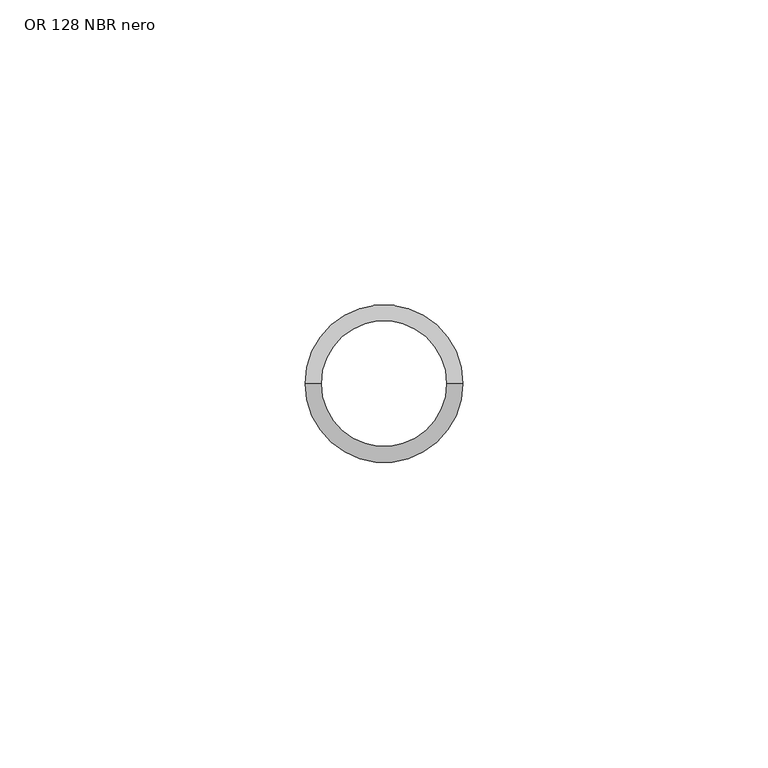
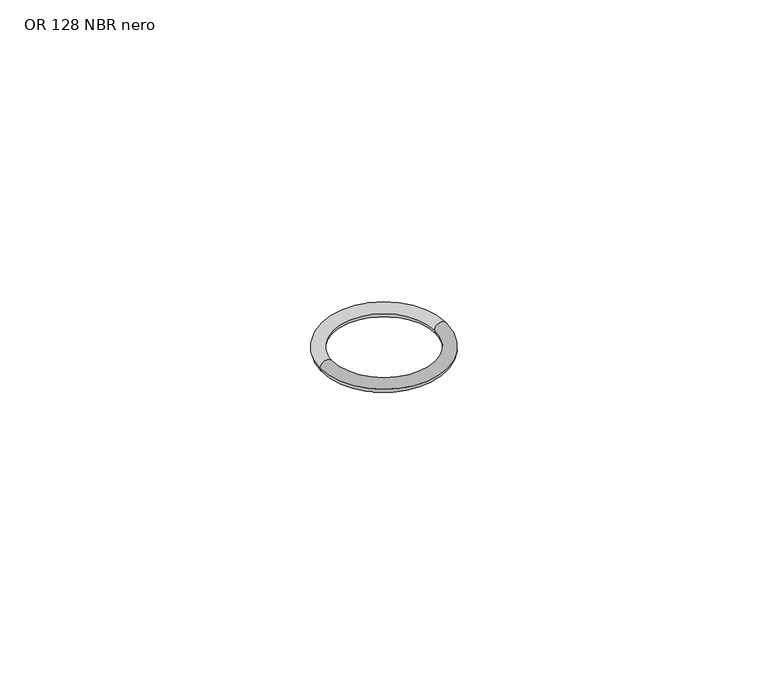
"""IFC4 building model written with IfcOpenShell, lengths in millimetres: proxy geometry, OR 128 NBR nero."""

from ifc_helpers import new_model, si_unit, point, frame, origin, origin_with_axes, place, context, project, spatial, circle_curve, ellipse_curve, trimmed, source, transform, mapped, element, save
from ifc_brep_helpers import revolved_surface, advanced_brep


def or_128_nbr_nero_8ea9a4c8(model_context):
    return source(origin(), model_context, "Body", "AdvancedBrep", [
        advanced_brep(
        [(-12.935, 0.0, 0.0), (12.935, 0.0, 0.0), (10.315, 0.0, 0.0), (-10.315, 0.0, 0.0)],
        [
            (0, 1, circle_curve(frame((0.0, 0.0, 0.0), z_axis=(0.0, 0.0, 1.0), x_axis=(-1.0, 0.0, 0.0)), 12.935)),
            (1, 2, circle_curve(frame((11.625, 0.0, 0.0), z_axis=(0.0, -1.0, 0.0), x_axis=(1.0, 0.0, 0.0)), 1.31)),
            (2, 3, circle_curve(frame((0.0, 0.0, 0.0), z_axis=(0.0, 0.0, -1.0), x_axis=(-1.0, 0.0, 0.0)), 10.315)),
            (3, 0, circle_curve(frame((-11.625, 0.0, 0.0), z_axis=(0.0, -1.0, 0.0), x_axis=(-1.0, 0.0, 0.0)), 1.31)),
            (1, 0, circle_curve(origin_with_axes(), 12.935)),
            (3, 2, circle_curve(frame((0.0, 0.0, 0.0), z_axis=(0.0, 0.0, -1.0), x_axis=(1.0, 0.0, 0.0)), 10.315)),
            (1, 2, circle_curve(frame((11.625, 0.0, 0.0), z_axis=(0.0, 1.0, 0.0), x_axis=(1.0, 0.0, 0.0)), 1.31)),
            (3, 0, circle_curve(frame((-11.625, 0.0, 0.0), z_axis=(0.0, 1.0, 0.0), x_axis=(-1.0, 0.0, 0.0)), 1.31)),
        ],
        [
            revolved_surface(trimmed(ellipse_curve(frame((-11.625, 0.0, 0.0), z_axis=(0.0, 1.0, 0.0), x_axis=(-1.0, 0.0, 0.0)), 1.31, 1.31), [point((-12.935, 0.0, 0.0))], [point((-10.315, 0.0, 0.0))], True, "CARTESIAN"), (0.0, 0.0, 0.0), (0.0, 0.0, 1.0)),
            revolved_surface(trimmed(ellipse_curve(frame((11.625, 0.0, 0.0), z_axis=(0.0, -1.0, 0.0), x_axis=(1.0, 0.0, 0.0)), 1.31, 1.31), [point((12.935, 0.0, 0.0))], [point((10.315, 0.0, 0.0))], True, "CARTESIAN"), (0.0, 0.0, 0.0), (0.0, 0.0, 1.0)),
            revolved_surface(trimmed(ellipse_curve(frame((11.625, 0.0, 0.0), z_axis=(0.0, -1.0, 0.0), x_axis=(1.0, 0.0, 0.0)), 1.31, 1.31), [point((10.315, 0.0, 0.0))], [point((12.935, 0.0, 0.0))], True, "CARTESIAN"), (0.0, 0.0, 0.0), (0.0, 0.0, 1.0)),
            revolved_surface(trimmed(ellipse_curve(frame((-11.625, 0.0, 0.0), z_axis=(0.0, 1.0, 0.0), x_axis=(-1.0, 0.0, 0.0)), 1.31, 1.31), [point((-10.315, 0.0, 0.0))], [point((-12.935, 0.0, 0.0))], True, "CARTESIAN"), (0.0, 0.0, 0.0), (0.0, 0.0, 1.0)),
        ],
        [
            (0, [[1, 2, 3, 4]]),
            (1, [[5, -4, 6, -2]]),
            (2, [[-5, 7, -6, 8]]),
            (3, [[-1, -8, -3, -7]]),
        ],
    ),
    ])


if __name__ == "__main__":
    model = new_model("IFC4")
    model_context = context("Model", 3, world=origin())
    ifc_project = project(units=[si_unit("LENGTHUNIT", "METRE", prefix="MILLI")], contexts=[model_context])
    site = spatial("IfcSite", under=ifc_project)
    building = spatial("IfcBuilding", under=site)
    placement = place(None, origin())
    or_128_nbr_nero_shape = or_128_nbr_nero_8ea9a4c8(model_context)
    element("IfcBuildingElementProxy", 1, Name="OR 128 NBR nero", ObjectType="OR 128 NBR nero", at=placement, inside=building, context=model_context, shape_type="MappedRepresentation", body=[
        mapped(or_128_nbr_nero_shape, transform((0.0, 0.0, 0.0), x_axis=(1.0, 0.0, 0.0), y_axis=(0.0, 1.0, 0.0), z_axis=(0.0, 0.0, 1.0))),
    ])
    save(model, "model.ifc")
